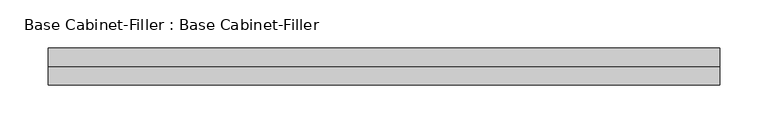
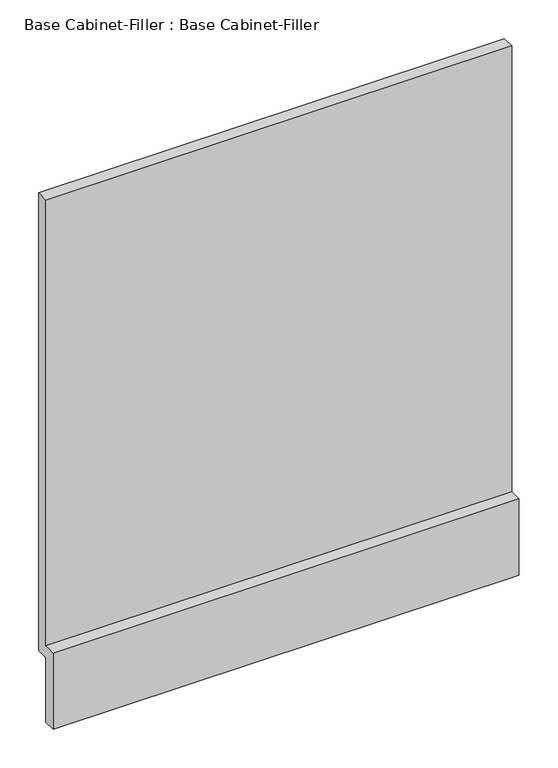
"""IFC4 building model written with IfcOpenShell, lengths in millimetres: furniture geometry, Base Cabinet-Filler : Base Cabinet-Filler."""

from ifc_helpers import new_model, si_unit, frame, origin, place, context, project, spatial, polyline, outline, extrude, source, transform, mapped, element, save


def base_cabinet_filler_base_cabinet_filler_006826d8(model_context):
    return source(origin(), model_context, "Body", "SweptSolid", [
        extrude(outline(polyline([(590.55, 101.6), (571.5, 101.6), (571.5, 0.0), (552.45, 0.0), (552.45, 120.65), (571.5, 120.65), (571.5, 825.5), (590.55, 825.5), (590.55, 101.6)])), frame((-329.4872951, 0.0, 0.0), z_axis=(1.0, 0.0, 0.0), x_axis=(0.0, 1.0, 0.0)), (0.0, 0.0, 1.0), 696.45),
    ])


if __name__ == "__main__":
    model = new_model("IFC4")
    model_context = context("Model", 3, world=origin())
    ifc_project = project(units=[si_unit("LENGTHUNIT", "METRE", prefix="MILLI")], contexts=[model_context])
    site = spatial("IfcSite", under=ifc_project)
    building = spatial("IfcBuilding", under=site)
    placement = place(None, origin())
    base_cabinet_filler_base_cabinet_filler_shape = base_cabinet_filler_base_cabinet_filler_006826d8(model_context)
    element("IfcFurniture", 1, ObjectType="Base Cabinet-Filler : Base Cabinet-Filler", at=placement, inside=building, context=model_context, shape_type="MappedRepresentation", body=[
        mapped(base_cabinet_filler_base_cabinet_filler_shape, transform((0.0, 0.0, 0.0), x_axis=(1.0, 0.0, 0.0), y_axis=(0.0, 1.0, 0.0), z_axis=(0.0, 0.0, 1.0))),
    ])
    save(model, "model.ifc")
